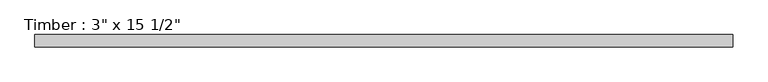
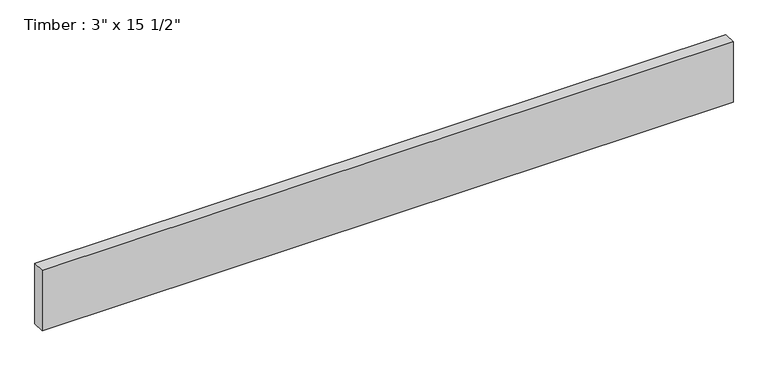
"""IFC4 building model written with IfcOpenShell, lengths in millimetres: beam geometry."""

import ifcopenshell
import ifcopenshell.guid

model = None  # the IFC model being written
_history = None  # IfcOwnerHistory: only IFC2X3 demands one
_inside = {}  # id of a spatial element -> (the spatial element, [elements in it])
_under = {}  # id of a project, library or spatial element -> (it, [spatial elements below it])
_declared = {}  # id of a project -> (the project, [libraries it declares])
_typed = {}  # id of a type object -> (the type object, [elements of that type])
_made_of = {}  # id of a material, layer set ... -> (it, [elements and type objects made of it])


def new_model(schema):
    """Start an empty IFC model of exactly this schema.

    Asked for "IFC4X3", IfcOpenShell would pick the latest addendum, in which some entities
    have other attributes; the version numbers below select the first issue.
    IFC2X3 requires an IfcOwnerHistory on every rooted entity: one is made here for all.
    """
    global model, _history
    if schema == "IFC4X3":
        model = ifcopenshell.file(schema_version=(4, 3, 0, 0))
    else:
        model = ifcopenshell.file(schema=schema)
    _inside.clear()
    _under.clear()
    _declared.clear()
    _typed.clear()
    _made_of.clear()
    _history = None
    if model.schema == "IFC2X3":
        org = make("IfcOrganization", Name="unknown")
        user = make(
            "IfcPersonAndOrganization",
            ThePerson=make("IfcPerson", FamilyName="unknown"),
            TheOrganization=org,
        )
        app = make(
            "IfcApplication",
            ApplicationDeveloper=org,
            Version="unknown",
            ApplicationFullName="unknown",
            ApplicationIdentifier="unknown",
        )
        _history = make(
            "IfcOwnerHistory",
            OwningUser=user,
            OwningApplication=app,
            ChangeAction="ADDED",
            CreationDate=0,
        )
    return model


def make(cls, **values):
    """One entity of the class cls with the attributes given. An attribute that is None is left unset."""
    return model.create_entity(
        cls, **{name: value for name, value in values.items() if value is not None}
    )


def rooted(cls, **values):
    """An entity with a GlobalId (a new one), such as an element, a storey or a relation."""
    return make(cls, GlobalId=ifcopenshell.guid.new(), OwnerHistory=_history, **values)


def si_unit(unit_type, name, prefix=None):
    """IfcSIUnit, for example si_unit("LENGTHUNIT", "METRE", prefix="MILLI")."""
    return make("IfcSIUnit", UnitType=unit_type, Prefix=prefix, Name=name)


def assignment(units):
    """IfcUnitAssignment: the units of a project."""
    return None if units is None else make("IfcUnitAssignment", Units=units)


def point(xyz):
    """IfcCartesianPoint."""
    return None if xyz is None else make("IfcCartesianPoint", Coordinates=xyz)


def direction(xyz):
    """IfcDirection."""
    return None if xyz is None else make("IfcDirection", DirectionRatios=xyz)


def frame(location, z_axis=None, x_axis=None):
    """IfcAxis2Placement3D, a coordinate frame: its origin and axes. An axis left out is left unset."""
    return make(
        "IfcAxis2Placement3D",
        Location=point(location),
        Axis=direction(z_axis),
        RefDirection=direction(x_axis),
    )


def origin():
    """The frame at (0, 0, 0) with its axes left unset."""
    return frame((0.0, 0.0, 0.0))


def place(relative_to, where):
    """IfcLocalPlacement: puts the frame where relative to a parent placement (None: the world)."""
    return make(
        "IfcLocalPlacement", PlacementRelTo=relative_to, RelativePlacement=where
    )


def context(
    kind, dimensions, precision=None, world=None, true_north=None, identifier=None
):
    """IfcGeometricRepresentationContext, for example the 3D "Model" context."""
    return make(
        "IfcGeometricRepresentationContext",
        ContextIdentifier=identifier,
        ContextType=kind,
        CoordinateSpaceDimension=dimensions,
        Precision=precision,
        WorldCoordinateSystem=world,
        TrueNorth=true_north,
    )


def project(units=None, contexts=None):
    """IfcProject with its units and contexts."""
    return rooted(
        "IfcProject",
        Name="project",
        RepresentationContexts=contexts,
        UnitsInContext=assignment(units),
    )


def spatial(cls, under=None, at=None, **own):
    """A site, building, storey or space (cls), placed at a placement, below another one or the project."""
    s = rooted(cls, ObjectPlacement=at, **own)
    if under is not None:
        _under.setdefault(under.id(), (under, []))[1].append(s)
    return s


def polyline(points):
    """IfcPolyline through the points."""
    return make("IfcPolyline", Points=[point(p) for p in points])


def outline(outer, holes=None, kind="AREA"):
    """IfcArbitraryClosedProfileDef: a profile drawn as a closed curve; with holes, ...WithVoids."""
    if holes is None:
        return make("IfcArbitraryClosedProfileDef", ProfileType=kind, OuterCurve=outer)
    return make(
        "IfcArbitraryProfileDefWithVoids",
        ProfileType=kind,
        OuterCurve=outer,
        InnerCurves=holes,
    )


def extrude(swept, where, along, depth):
    """IfcExtrudedAreaSolid: the profile swept, set in the frame where, extruded along a direction by depth."""
    return make(
        "IfcExtrudedAreaSolid",
        SweptArea=swept,
        Position=where,
        ExtrudedDirection=direction(along),
        Depth=depth,
    )


def shape(context_of_items, identifier, shape_type, items):
    """IfcShapeRepresentation: the items that make up one representation, for example the "Body"."""
    return make(
        "IfcShapeRepresentation",
        ContextOfItems=context_of_items,
        RepresentationIdentifier=identifier,
        RepresentationType=shape_type,
        Items=items,
    )


def source(mapping_origin, context_of_items, identifier, shape_type, items):
    """IfcRepresentationMap: a shape defined once, which mapped items show again and again."""
    return make(
        "IfcRepresentationMap",
        MappingOrigin=mapping_origin,
        MappedRepresentation=shape(context_of_items, identifier, shape_type, items),
    )


def transform(
    local_origin,
    x_axis=None,
    y_axis=None,
    z_axis=None,
    scale=None,
    scale2=None,
    scale3=None,
    uniform=True,
):
    """IfcCartesianTransformationOperator3D, or its non-uniform kind. x_axis, y_axis, z_axis: its Axis1, 2, 3."""
    if uniform:
        return make(
            "IfcCartesianTransformationOperator3D",
            Axis1=direction(x_axis),
            Axis2=direction(y_axis),
            LocalOrigin=point(local_origin),
            Scale=scale,
            Axis3=direction(z_axis),
        )
    return make(
        "IfcCartesianTransformationOperator3DnonUniform",
        Axis1=direction(x_axis),
        Axis2=direction(y_axis),
        LocalOrigin=point(local_origin),
        Scale=scale,
        Axis3=direction(z_axis),
        Scale2=scale2,
        Scale3=scale3,
    )


def mapped(mapping_source, mapping_target):
    """IfcMappedItem: shows the shape of a source again, moved by a transform."""
    return make(
        "IfcMappedItem", MappingSource=mapping_source, MappingTarget=mapping_target
    )


def made_of(thing, what):
    """Note that an element or type object is made of a material, layer set ...; save() writes the relation."""
    if what is not None:
        _made_of.setdefault(what.id(), (what, []))[1].append(thing)
    return thing


def element(
    cls,
    number,
    at=None,
    inside=None,
    cuts=None,
    type_object=None,
    material=None,
    context=None,
    identifier="Body",
    shape_type=None,
    held_by="IfcProductDefinitionShape",
    body=None,
    shapes=None,
    **own,
):
    """One element of the class cls, such as IfcWall. Its Tag is "e" and its number.

    at: its placement. inside: the storey or other place that contains it. cuts: it is an
    opening in that element (IfcRelVoidsElement). A single representation is given by context,
    identifier, shape_type and body (its items); several are given by shapes. held_by: the class
    of the entity that holds the representations. save() writes the other relations.
    """
    e = rooted(cls, Tag="e%d" % number, ObjectPlacement=at, **own)
    if body is not None:
        shapes = [shape(context, identifier, shape_type, body)]
    if shapes is not None:
        e.Representation = make(held_by, Representations=shapes)
    if inside is not None:
        _inside.setdefault(inside.id(), (inside, []))[1].append(e)
    if cuts is not None:
        rooted(
            "IfcRelVoidsElement", RelatingBuildingElement=cuts, RelatedOpeningElement=e
        )
    if type_object is not None:
        _typed.setdefault(type_object.id(), (type_object, []))[1].append(e)
    return made_of(e, material)


def aggregate(whole, parts):
    """IfcRelAggregates: a whole, such as a stair, and the parts it consists of."""
    return rooted("IfcRelAggregates", RelatingObject=whole, RelatedObjects=parts)


def save(model, path):
    """Write the relations noted so far, then the file.

    IfcRelAggregates (storeys below a building ...), IfcRelContainedInSpatialStructure (elements
    in a storey), IfcRelDefinesByType, IfcRelAssociatesMaterial and IfcRelDeclares: one each for
    every whole, place, type object, material and project.
    """
    for whole, parts in _under.values():
        aggregate(whole, parts)
    for where, things in _inside.values():
        rooted(
            "IfcRelContainedInSpatialStructure",
            RelatedElements=things,
            RelatingStructure=where,
        )
    for kind, things in _typed.values():
        rooted("IfcRelDefinesByType", RelatedObjects=things, RelatingType=kind)
    for what, things in _made_of.values():
        rooted("IfcRelAssociatesMaterial", RelatedObjects=things, RelatingMaterial=what)
    for by, libraries in _declared.values():
        rooted("IfcRelDeclares", RelatingContext=by, RelatedDefinitions=libraries)
    model.write(path)


def beam_622029bf(model_context):
    return source(origin(), model_context, "Body", "SweptSolid", [
        extrude(outline(polyline([(2134.6514012, 38.1), (2134.6514012, -38.1), (-2134.6514012, -38.1), (-2134.6514012, 38.1), (2134.6514012, 38.1)])), frame((0.0, 0.0, -196.85), z_axis=(0.0, 0.0, 1.0), x_axis=(1.0, 0.0, 0.0)), (0.0, 0.0, 1.0), 393.7),
    ])


if __name__ == "__main__":
    model = new_model("IFC4")
    model_context = context("Model", 3, world=origin())
    ifc_project = project(units=[si_unit("LENGTHUNIT", "METRE", prefix="MILLI")], contexts=[model_context])
    site = spatial("IfcSite", under=ifc_project)
    building = spatial("IfcBuilding", under=site)
    placement = place(None, origin())
    beam_shape = beam_622029bf(model_context)
    element("IfcBeam", 1, ObjectType="Timber : 3\" x 15 1/2\"", at=placement, inside=building, context=model_context, shape_type="MappedRepresentation", body=[
        mapped(beam_shape, transform((0.0, 0.0, 0.0), x_axis=(1.0, 0.0, 0.0), y_axis=(0.0, 1.0, 0.0), z_axis=(0.0, 0.0, 1.0))),
    ])
    save(model, "model.ifc")
